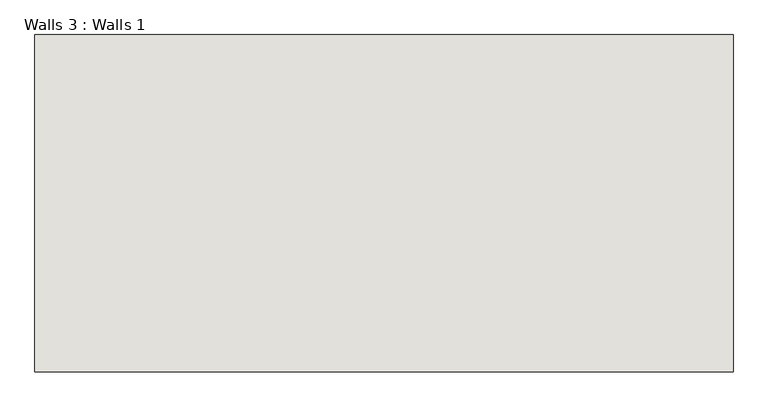
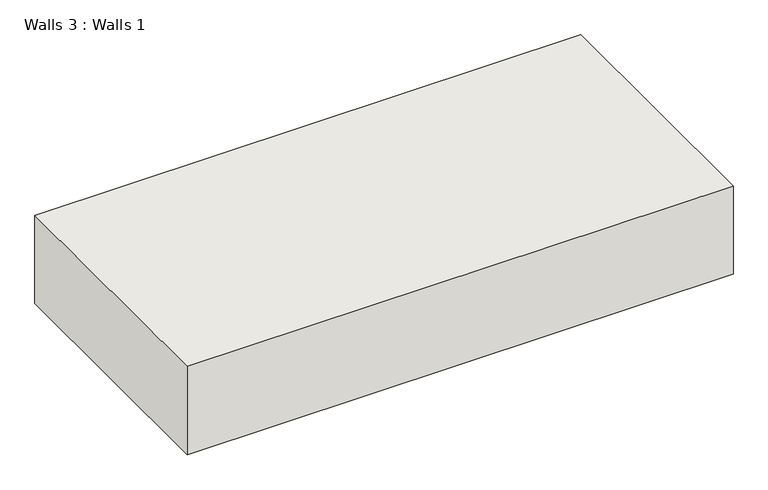
"""IFC4 building model written with IfcOpenShell, lengths in millimetres: wall geometry, Walls 3 : Walls 1."""

import ifcopenshell
import ifcopenshell.guid

model = None  # the IFC model being written
_history = None  # IfcOwnerHistory: only IFC2X3 demands one
_inside = {}  # id of a spatial element -> (the spatial element, [elements in it])
_under = {}  # id of a project, library or spatial element -> (it, [spatial elements below it])
_declared = {}  # id of a project -> (the project, [libraries it declares])
_typed = {}  # id of a type object -> (the type object, [elements of that type])
_made_of = {}  # id of a material, layer set ... -> (it, [elements and type objects made of it])


def new_model(schema):
    """Start an empty IFC model of exactly this schema.

    Asked for "IFC4X3", IfcOpenShell would pick the latest addendum, in which some entities
    have other attributes; the version numbers below select the first issue.
    IFC2X3 requires an IfcOwnerHistory on every rooted entity: one is made here for all.
    """
    global model, _history
    if schema == "IFC4X3":
        model = ifcopenshell.file(schema_version=(4, 3, 0, 0))
    else:
        model = ifcopenshell.file(schema=schema)
    _inside.clear()
    _under.clear()
    _declared.clear()
    _typed.clear()
    _made_of.clear()
    _history = None
    if model.schema == "IFC2X3":
        org = make("IfcOrganization", Name="unknown")
        user = make(
            "IfcPersonAndOrganization",
            ThePerson=make("IfcPerson", FamilyName="unknown"),
            TheOrganization=org,
        )
        app = make(
            "IfcApplication",
            ApplicationDeveloper=org,
            Version="unknown",
            ApplicationFullName="unknown",
            ApplicationIdentifier="unknown",
        )
        _history = make(
            "IfcOwnerHistory",
            OwningUser=user,
            OwningApplication=app,
            ChangeAction="ADDED",
            CreationDate=0,
        )
    return model


def make(cls, **values):
    """One entity of the class cls with the attributes given. An attribute that is None is left unset."""
    return model.create_entity(
        cls, **{name: value for name, value in values.items() if value is not None}
    )


def rooted(cls, **values):
    """An entity with a GlobalId (a new one), such as an element, a storey or a relation."""
    return make(cls, GlobalId=ifcopenshell.guid.new(), OwnerHistory=_history, **values)


def si_unit(unit_type, name, prefix=None):
    """IfcSIUnit, for example si_unit("LENGTHUNIT", "METRE", prefix="MILLI")."""
    return make("IfcSIUnit", UnitType=unit_type, Prefix=prefix, Name=name)


def assignment(units):
    """IfcUnitAssignment: the units of a project."""
    return None if units is None else make("IfcUnitAssignment", Units=units)


def point(xyz):
    """IfcCartesianPoint."""
    return None if xyz is None else make("IfcCartesianPoint", Coordinates=xyz)


def direction(xyz):
    """IfcDirection."""
    return None if xyz is None else make("IfcDirection", DirectionRatios=xyz)


def frame(location, z_axis=None, x_axis=None):
    """IfcAxis2Placement3D, a coordinate frame: its origin and axes. An axis left out is left unset."""
    return make(
        "IfcAxis2Placement3D",
        Location=point(location),
        Axis=direction(z_axis),
        RefDirection=direction(x_axis),
    )


def origin():
    """The frame at (0, 0, 0) with its axes left unset."""
    return frame((0.0, 0.0, 0.0))


def place(relative_to, where):
    """IfcLocalPlacement: puts the frame where relative to a parent placement (None: the world)."""
    return make(
        "IfcLocalPlacement", PlacementRelTo=relative_to, RelativePlacement=where
    )


def context(
    kind, dimensions, precision=None, world=None, true_north=None, identifier=None
):
    """IfcGeometricRepresentationContext, for example the 3D "Model" context."""
    return make(
        "IfcGeometricRepresentationContext",
        ContextIdentifier=identifier,
        ContextType=kind,
        CoordinateSpaceDimension=dimensions,
        Precision=precision,
        WorldCoordinateSystem=world,
        TrueNorth=true_north,
    )


def project(units=None, contexts=None):
    """IfcProject with its units and contexts."""
    return rooted(
        "IfcProject",
        Name="project",
        RepresentationContexts=contexts,
        UnitsInContext=assignment(units),
    )


def spatial(cls, under=None, at=None, **own):
    """A site, building, storey or space (cls), placed at a placement, below another one or the project."""
    s = rooted(cls, ObjectPlacement=at, **own)
    if under is not None:
        _under.setdefault(under.id(), (under, []))[1].append(s)
    return s


def polyline(points):
    """IfcPolyline through the points."""
    return make("IfcPolyline", Points=[point(p) for p in points])


def outline(outer, holes=None, kind="AREA"):
    """IfcArbitraryClosedProfileDef: a profile drawn as a closed curve; with holes, ...WithVoids."""
    if holes is None:
        return make("IfcArbitraryClosedProfileDef", ProfileType=kind, OuterCurve=outer)
    return make(
        "IfcArbitraryProfileDefWithVoids",
        ProfileType=kind,
        OuterCurve=outer,
        InnerCurves=holes,
    )


def extrude(swept, where, along, depth):
    """IfcExtrudedAreaSolid: the profile swept, set in the frame where, extruded along a direction by depth."""
    return make(
        "IfcExtrudedAreaSolid",
        SweptArea=swept,
        Position=where,
        ExtrudedDirection=direction(along),
        Depth=depth,
    )


def shape(context_of_items, identifier, shape_type, items):
    """IfcShapeRepresentation: the items that make up one representation, for example the "Body"."""
    return make(
        "IfcShapeRepresentation",
        ContextOfItems=context_of_items,
        RepresentationIdentifier=identifier,
        RepresentationType=shape_type,
        Items=items,
    )


def source(mapping_origin, context_of_items, identifier, shape_type, items):
    """IfcRepresentationMap: a shape defined once, which mapped items show again and again."""
    return make(
        "IfcRepresentationMap",
        MappingOrigin=mapping_origin,
        MappedRepresentation=shape(context_of_items, identifier, shape_type, items),
    )


def transform(
    local_origin,
    x_axis=None,
    y_axis=None,
    z_axis=None,
    scale=None,
    scale2=None,
    scale3=None,
    uniform=True,
):
    """IfcCartesianTransformationOperator3D, or its non-uniform kind. x_axis, y_axis, z_axis: its Axis1, 2, 3."""
    if uniform:
        return make(
            "IfcCartesianTransformationOperator3D",
            Axis1=direction(x_axis),
            Axis2=direction(y_axis),
            LocalOrigin=point(local_origin),
            Scale=scale,
            Axis3=direction(z_axis),
        )
    return make(
        "IfcCartesianTransformationOperator3DnonUniform",
        Axis1=direction(x_axis),
        Axis2=direction(y_axis),
        LocalOrigin=point(local_origin),
        Scale=scale,
        Axis3=direction(z_axis),
        Scale2=scale2,
        Scale3=scale3,
    )


def mapped(mapping_source, mapping_target):
    """IfcMappedItem: shows the shape of a source again, moved by a transform."""
    return make(
        "IfcMappedItem", MappingSource=mapping_source, MappingTarget=mapping_target
    )


def made_of(thing, what):
    """Note that an element or type object is made of a material, layer set ...; save() writes the relation."""
    if what is not None:
        _made_of.setdefault(what.id(), (what, []))[1].append(thing)
    return thing


def element(
    cls,
    number,
    at=None,
    inside=None,
    cuts=None,
    type_object=None,
    material=None,
    context=None,
    identifier="Body",
    shape_type=None,
    held_by="IfcProductDefinitionShape",
    body=None,
    shapes=None,
    **own,
):
    """One element of the class cls, such as IfcWall. Its Tag is "e" and its number.

    at: its placement. inside: the storey or other place that contains it. cuts: it is an
    opening in that element (IfcRelVoidsElement). A single representation is given by context,
    identifier, shape_type and body (its items); several are given by shapes. held_by: the class
    of the entity that holds the representations. save() writes the other relations.
    """
    e = rooted(cls, Tag="e%d" % number, ObjectPlacement=at, **own)
    if body is not None:
        shapes = [shape(context, identifier, shape_type, body)]
    if shapes is not None:
        e.Representation = make(held_by, Representations=shapes)
    if inside is not None:
        _inside.setdefault(inside.id(), (inside, []))[1].append(e)
    if cuts is not None:
        rooted(
            "IfcRelVoidsElement", RelatingBuildingElement=cuts, RelatedOpeningElement=e
        )
    if type_object is not None:
        _typed.setdefault(type_object.id(), (type_object, []))[1].append(e)
    return made_of(e, material)


def aggregate(whole, parts):
    """IfcRelAggregates: a whole, such as a stair, and the parts it consists of."""
    return rooted("IfcRelAggregates", RelatingObject=whole, RelatedObjects=parts)


def save(model, path):
    """Write the relations noted so far, then the file.

    IfcRelAggregates (storeys below a building ...), IfcRelContainedInSpatialStructure (elements
    in a storey), IfcRelDefinesByType, IfcRelAssociatesMaterial and IfcRelDeclares: one each for
    every whole, place, type object, material and project.
    """
    for whole, parts in _under.values():
        aggregate(whole, parts)
    for where, things in _inside.values():
        rooted(
            "IfcRelContainedInSpatialStructure",
            RelatedElements=things,
            RelatingStructure=where,
        )
    for kind, things in _typed.values():
        rooted("IfcRelDefinesByType", RelatedObjects=things, RelatingType=kind)
    for what, things in _made_of.values():
        rooted("IfcRelAssociatesMaterial", RelatedObjects=things, RelatingMaterial=what)
    for by, libraries in _declared.values():
        rooted("IfcRelDeclares", RelatingContext=by, RelatedDefinitions=libraries)
    model.write(path)


def walls_3_walls_1_203058b6(model_context):
    return source(origin(), model_context, "Body", "SweptSolid", [
        extrude(outline(polyline([(56419.8711601, -88174.835526), (56419.8711601, -123089.335526), (-15829.1288399, -123089.335526), (-15829.1288399, -88174.835526), (56419.8711601, -88174.835526)])), frame((0.0, 0.0, -150.0), z_axis=(0.0, 0.0, 1.0), x_axis=(1.0, 0.0, 0.0)), (0.0, 0.0, 1.0), 12350.0),
    ])


if __name__ == "__main__":
    model = new_model("IFC4")
    model_context = context("Model", 3, world=origin())
    ifc_project = project(units=[si_unit("LENGTHUNIT", "METRE", prefix="MILLI")], contexts=[model_context])
    site = spatial("IfcSite", under=ifc_project)
    building = spatial("IfcBuilding", under=site)
    placement = place(None, origin())
    walls_3_walls_1_shape = walls_3_walls_1_203058b6(model_context)
    element("IfcWall", 1, ObjectType="Walls 3 : Walls 1", at=placement, inside=building, context=model_context, shape_type="MappedRepresentation", body=[
        mapped(walls_3_walls_1_shape, transform((0.0, 0.0, 0.0), x_axis=(1.0, 0.0, 0.0), y_axis=(0.0, 1.0, 0.0), z_axis=(0.0, 0.0, 1.0))),
    ])
    save(model, "model.ifc")
